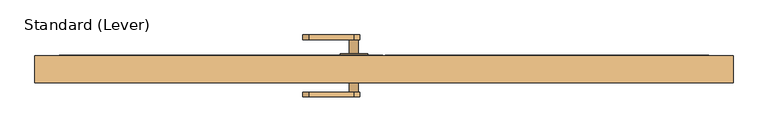
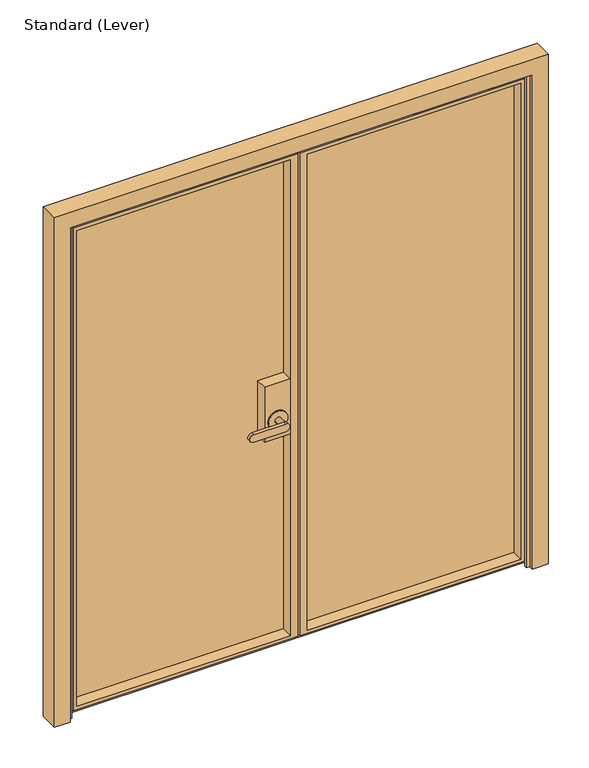
"""IFC4 building model written with IfcOpenShell, lengths in millimetres: door geometry, Standard (Lever)."""

from ifc_helpers import new_model, si_unit, frame, origin, place, context, project, spatial, polyline, circle_curve, outline, extrude, faceted_brep, source, transform, mapped, element, save
from ifc_brep_helpers import plane_surface, cylinder_surface, advanced_brep


def standard_lever_e9f56ac0(model_context):
    return source(origin(), model_context, "Body", "SolidModel", [
        advanced_brep(
        [(-349.25, -19.84375, 1117.6), (-349.25, 27.78125, 1117.6), (-450.85, 27.78125, 1117.6), (-450.85, -19.84375, 1117.6), (-349.25, -19.84375, 889.0), (-450.85, -19.84375, 889.0), (-450.85, 27.78125, 889.0), (-349.25, 27.78125, 889.0), (-361.95, -19.84375, 965.2), (-438.15, -19.84375, 965.2), (-387.35, -24.60625, 965.2), (-387.35, -64.29375, 965.2), (-412.75, -64.29375, 965.2), (-412.75, -24.60625, 965.2), (-361.95, -24.60625, 965.2), (-438.15, -24.60625, 965.2), (-400.05, -64.29375, 949.325), (-527.05, -64.29375, 949.325), (-527.05, -64.29375, 981.075), (-400.05, -64.29375, 981.075), (-400.05, -76.99375, 949.325), (-400.05, -76.99375, 981.075), (-527.05, -76.99375, 981.075), (-527.05, -76.99375, 949.325)],
        [
            (0, 1),
            (1, 2),
            (2, 3),
            (3, 0),
            (4, 5),
            (5, 6),
            (6, 7),
            (7, 4),
            (0, 4),
            (7, 1),
            (6, 2),
            (5, 3),
            (8, 9, circle_curve(frame((-400.05, -19.84375, 965.2), z_axis=(0.0, 1.0, 0.0), x_axis=(-1.0, 0.0, 0.0)), 38.1)),
            (9, 8, circle_curve(frame((-400.05, -19.84375, 965.2), z_axis=(0.0, 1.0, 0.0), x_axis=(-1.0, 0.0, 0.0)), 38.1)),
            (10, 11),
            (11, 12, circle_curve(frame((-400.05, -64.29375, 965.2), z_axis=(0.0, 1.0, 0.0), x_axis=(-1.0, 0.0, 0.0)), 12.7)),
            (12, 13),
            (13, 10, circle_curve(frame((-400.05, -24.60625, 965.2), z_axis=(0.0, -1.0, 0.0), x_axis=(-1.0, 0.0, 0.0)), 12.7)),
            (10, 13, circle_curve(frame((-400.05, -24.60625, 965.2), z_axis=(0.0, -1.0, 0.0), x_axis=(-1.0, 0.0, 0.0)), 12.7)),
            (12, 11, circle_curve(frame((-400.05, -64.29375, 965.2), z_axis=(0.0, 1.0, 0.0), x_axis=(-1.0, 0.0, 0.0)), 12.7)),
            (14, 15, circle_curve(frame((-400.05, -24.60625, 965.2), z_axis=(0.0, -1.0, 0.0), x_axis=(-1.0, 0.0, 0.0)), 38.1)),
            (15, 14, circle_curve(frame((-400.05, -24.60625, 965.2), z_axis=(0.0, -1.0, 0.0), x_axis=(-1.0, 0.0, 0.0)), 38.1)),
            (15, 9),
            (8, 14),
            (16, 17),
            (17, 18, circle_curve(frame((-527.05, -64.29375, 965.2), z_axis=(0.0, 1.0, 0.0), x_axis=(-1.0, 0.0, 0.0)), 15.875)),
            (18, 19),
            (19, 16, circle_curve(frame((-400.05, -64.29375, 965.2), z_axis=(0.0, 1.0, 0.0), x_axis=(-1.0, 0.0, 0.0)), 15.875)),
            (20, 21, circle_curve(frame((-400.05, -76.99375, 965.2), z_axis=(0.0, -1.0, 0.0), x_axis=(-1.0, 0.0, 0.0)), 15.875)),
            (21, 22),
            (22, 23, circle_curve(frame((-527.05, -76.99375, 965.2), z_axis=(0.0, -1.0, 0.0), x_axis=(-1.0, 0.0, 0.0)), 15.875)),
            (23, 20),
            (16, 20),
            (23, 17),
            (22, 18),
            (21, 19),
        ],
        [
            plane_surface(frame((-349.25, -87.0505478, 1117.6), z_axis=(0.0, 0.0, 1.0), x_axis=(0.0, 1.0, 0.0))),
            plane_surface(frame((-349.25, -87.0505478, 889.0), z_axis=(0.0, 0.0, -1.0), x_axis=(0.0, -1.0, 0.0))),
            plane_surface(frame((-349.25, -19.84375, 1117.6), z_axis=(1.0, 0.0, 0.0), x_axis=(0.0, 0.0, -1.0))),
            plane_surface(frame((-349.25, 27.78125, 1117.6), z_axis=(0.0, 1.0, 0.0), x_axis=(0.0, 0.0, -1.0))),
            plane_surface(frame((-450.85, 27.78125, 1117.6), z_axis=(-1.0, 0.0, 0.0), x_axis=(0.0, 0.0, -1.0))),
            plane_surface(frame((-450.85, -19.84375, 1117.6), z_axis=(0.0, -1.0, 0.0), x_axis=(0.0, 0.0, -1.0))),
            cylinder_surface(frame((-400.05, -64.29375, 965.2), z_axis=(0.0, 1.0, 0.0), x_axis=(-1.0, 0.0, 0.0)), 12.7),
            plane_surface(frame((-438.15, -24.60625, 965.2), z_axis=(0.0, -1.0, 0.0), x_axis=(0.0, 0.0, -1.0))),
            cylinder_surface(frame((-400.05, -24.60625, 965.2), z_axis=(0.0, 1.0, 0.0), x_axis=(-1.0, 0.0, 0.0)), 38.1),
            plane_surface(frame((-400.05, -64.29375, 949.325), z_axis=(0.0, 1.0, 0.0), x_axis=(-1.0, 0.0, 0.0))),
            plane_surface(frame((-400.05, -76.99375, 949.325), z_axis=(0.0, -1.0, 0.0), x_axis=(1.0, 0.0, 0.0))),
            plane_surface(frame((-400.05, -64.29375, 949.325), z_axis=(0.0, 0.0, -1.0), x_axis=(0.0, -1.0, 0.0))),
            cylinder_surface(frame((-527.05, -76.99375, 965.2), z_axis=(0.0, 1.0, 0.0), x_axis=(-1.0, 0.0, 0.0)), 15.875),
            plane_surface(frame((-527.05, -64.29375, 981.075), z_axis=(0.0, 0.0, 1.0), x_axis=(0.0, -1.0, 0.0))),
            cylinder_surface(frame((-400.05, -76.99375, 965.2), z_axis=(0.0, 1.0, 0.0), x_axis=(-1.0, 0.0, 0.0)), 15.875),
        ],
        [
            (0, [[1, 2, 3, 4]]),
            (1, [[5, 6, 7, 8]]),
            (2, [[-1, 9, -8, 10]]),
            (3, [[-2, -10, -7, 11]]),
            (4, [[-3, -11, -6, 12]]),
            (5, [[-4, -12, -5, -9], [13, 14]]),
            (6, [[15, 16, 17, 18]]),
            (6, [[-15, 19, -17, 20]]),
            (7, [[21, 22], [-18, -19]]),
            (8, [[-22, 23, -13, 24]]),
            (8, [[-21, -24, -14, -23]]),
            (9, [[25, 26, 27, 28], [-16, -20]]),
            (10, [[29, 30, 31, 32]]),
            (11, [[-25, 33, -32, 34]]),
            (12, [[-26, -34, -31, 35]]),
            (13, [[-27, -35, -30, 36]]),
            (14, [[-28, -36, -29, -33]]),
        ],
    ),
        advanced_brep(
        [(-349.25, 37.30625, 1117.6), (-349.25, 38.89375, 1117.6), (-450.85, 38.89375, 1117.6), (-450.85, 37.30625, 1117.6), (-349.25, 37.30625, 889.0), (-450.85, 37.30625, 889.0), (-450.85, 38.89375, 889.0), (-349.25, 38.89375, 889.0), (-361.95, 43.65625, 965.2), (-438.15, 43.65625, 965.2), (-412.75, 43.65625, 965.2), (-387.35, 43.65625, 965.2), (-361.95, 38.89375, 965.2), (-438.15, 38.89375, 965.2), (-387.35, 83.34375, 965.2), (-412.75, 83.34375, 965.2), (-527.05, 96.04375, 949.325), (-527.05, 96.04375, 981.075), (-400.05, 96.04375, 981.075), (-400.05, 96.04375, 949.325), (-527.05, 83.34375, 949.325), (-400.05, 83.34375, 949.325), (-400.05, 83.34375, 981.075), (-527.05, 83.34375, 981.075)],
        [
            (0, 1),
            (1, 2),
            (2, 3),
            (3, 0),
            (4, 5),
            (5, 6),
            (6, 7),
            (7, 4),
            (0, 4),
            (7, 1),
            (2, 6),
            (5, 3),
            (8, 9, circle_curve(frame((-400.05, 43.65625, 965.2), z_axis=(0.0, 1.0, 0.0), x_axis=(-1.0, 0.0, 0.0)), 38.1)),
            (9, 8, circle_curve(frame((-400.05, 43.65625, 965.2), z_axis=(0.0, 1.0, 0.0), x_axis=(-1.0, 0.0, 0.0)), 38.1)),
            (10, 11, circle_curve(frame((-400.05, 43.65625, 965.2), z_axis=(0.0, -1.0, 0.0), x_axis=(-1.0, 0.0, 0.0)), 12.7)),
            (11, 10, circle_curve(frame((-400.05, 43.65625, 965.2), z_axis=(0.0, -1.0, 0.0), x_axis=(-1.0, 0.0, 0.0)), 12.7)),
            (8, 12),
            (12, 13, circle_curve(frame((-400.05, 38.89375, 965.2), z_axis=(0.0, 1.0, 0.0), x_axis=(-1.0, 0.0, 0.0)), 38.1)),
            (13, 9),
            (13, 12, circle_curve(frame((-400.05, 38.89375, 965.2), z_axis=(0.0, 1.0, 0.0), x_axis=(-1.0, 0.0, 0.0)), 38.1)),
            (14, 11),
            (10, 15),
            (15, 14, circle_curve(frame((-400.05, 83.34375, 965.2), z_axis=(0.0, -1.0, 0.0), x_axis=(-1.0, 0.0, 0.0)), 12.7)),
            (14, 15, circle_curve(frame((-400.05, 83.34375, 965.2), z_axis=(0.0, -1.0, 0.0), x_axis=(-1.0, 0.0, 0.0)), 12.7)),
            (16, 17, circle_curve(frame((-527.05, 96.04375, 965.2), z_axis=(0.0, 1.0, 0.0), x_axis=(-1.0, 0.0, 0.0)), 15.875)),
            (17, 18),
            (18, 19, circle_curve(frame((-400.05, 96.04375, 965.2), z_axis=(0.0, 1.0, 0.0), x_axis=(-1.0, 0.0, 0.0)), 15.875)),
            (19, 16),
            (20, 21),
            (21, 22, circle_curve(frame((-400.05, 83.34375, 965.2), z_axis=(0.0, -1.0, 0.0), x_axis=(-1.0, 0.0, 0.0)), 15.875)),
            (22, 23),
            (23, 20, circle_curve(frame((-527.05, 83.34375, 965.2), z_axis=(0.0, -1.0, 0.0), x_axis=(-1.0, 0.0, 0.0)), 15.875)),
            (16, 20),
            (23, 17),
            (22, 18),
            (21, 19),
        ],
        [
            plane_surface(frame((-349.25, -87.0505478, 1117.6), z_axis=(0.0, 0.0, 1.0), x_axis=(0.0, 1.0, 0.0))),
            plane_surface(frame((-349.25, -87.0505478, 889.0), z_axis=(0.0, 0.0, -1.0), x_axis=(0.0, -1.0, 0.0))),
            plane_surface(frame((-349.25, 37.30625, 1117.6), z_axis=(1.0, 0.0, 0.0), x_axis=(0.0, 0.0, -1.0))),
            plane_surface(frame((-450.85, 38.89375, 1117.6), z_axis=(-1.0, 0.0, 0.0), x_axis=(0.0, 0.0, -1.0))),
            plane_surface(frame((-450.85, 37.30625, 1117.6), z_axis=(0.0, -1.0, 0.0), x_axis=(0.0, 0.0, -1.0))),
            plane_surface(frame((-438.15, 43.65625, 965.2), z_axis=(0.0, 1.0, 0.0), x_axis=(0.0, 0.0, 1.0))),
            cylinder_surface(frame((-400.05, 38.89375, 965.2), z_axis=(0.0, 1.0, 0.0), x_axis=(-1.0, 0.0, 0.0)), 38.1),
            cylinder_surface(frame((-400.05, 40.48125, 965.2), z_axis=(0.0, 1.0, 0.0), x_axis=(-1.0, 0.0, 0.0)), 12.7),
            plane_surface(frame((-542.925, 96.04375, 965.2), z_axis=(0.0, 1.0, 0.0), x_axis=(0.0, 0.0, 1.0))),
            plane_surface(frame((-542.925, 83.34375, 965.2), z_axis=(0.0, -1.0, 0.0), x_axis=(0.0, 0.0, -1.0))),
            cylinder_surface(frame((-527.05, 83.34375, 965.2), z_axis=(0.0, 1.0, 0.0), x_axis=(-1.0, 0.0, 0.0)), 15.875),
            plane_surface(frame((-527.05, 96.04375, 981.075), z_axis=(0.0, 0.0, 1.0), x_axis=(0.0, -1.0, 0.0))),
            cylinder_surface(frame((-400.05, 83.34375, 965.2), z_axis=(0.0, 1.0, 0.0), x_axis=(-1.0, 0.0, 0.0)), 15.875),
            plane_surface(frame((-400.05, 96.04375, 949.325), z_axis=(0.0, 0.0, -1.0), x_axis=(0.0, -1.0, 0.0))),
            plane_surface(frame((-349.25, 38.89375, 1117.6), z_axis=(0.0, 1.0, 0.0), x_axis=(0.0, 0.0, -1.0))),
        ],
        [
            (0, [[1, 2, 3, 4]]),
            (1, [[5, 6, 7, 8]]),
            (2, [[-1, 9, -8, 10]]),
            (3, [[-3, 11, -6, 12]]),
            (4, [[-4, -12, -5, -9]]),
            (5, [[13, 14], [15, 16]]),
            (6, [[-13, 17, 18, 19]]),
            (6, [[-14, -19, 20, -17]]),
            (7, [[21, -15, 22, 23]]),
            (7, [[-21, 24, -22, -16]]),
            (8, [[25, 26, 27, 28]]),
            (9, [[29, 30, 31, 32], [-23, -24]]),
            (10, [[-25, 33, -32, 34]]),
            (11, [[-26, -34, -31, 35]]),
            (12, [[-27, -35, -30, 36]]),
            (13, [[-28, -36, -29, -33]]),
            (14, [[-2, -10, -7, -11], [-18, -20]]),
        ],
    ),
        faceted_brep([(-1195.3875, 27.78125, 2035.175), (-1195.3875, -19.84375, 2035.175), (-1195.3875, -19.84375, 42.8625), (-1195.3875, 27.78125, 42.8625), (-319.0875, -19.84375, 28.575), (-319.0875, -19.84375, 2049.4625), (-1209.675, -19.84375, 2049.4625), (-1209.675, -19.84375, 28.575), (-349.25, -19.84375, 2035.175), (-349.25, -19.84375, 42.8625), (-349.25, 27.78125, 42.8625), (-1208.0875, 27.78125, 30.1625), (-1208.0875, 27.78125, 2047.875), (-336.55, 27.78125, 2047.875), (-336.55, 27.78125, 30.1625), (-349.25, 27.78125, 2035.175), (-1208.0875, 37.30625, 2047.875), (-1208.0875, 37.30625, 30.1625), (-336.55, 37.30625, 30.1625), (-336.55, 37.30625, 2047.875), (-1195.3875, 37.30625, 42.8625), (-1195.3875, 37.30625, 2035.175), (-349.25, 37.30625, 2035.175), (-349.25, 37.30625, 42.8625), (-1195.3875, 38.89375, 2035.175), (-1195.3875, 38.89375, 42.8625), (-349.25, 38.89375, 42.8625), (-1225.55, 38.89375, 12.7), (-1225.55, 38.89375, 2065.3375), (-319.0875, 38.89375, 2065.3375), (-319.0875, 38.89375, 12.7), (-349.25, 38.89375, 2035.175), (-1225.55, -5.55625, 2065.3375), (-1225.55, -5.55625, 12.7), (-319.0875, -5.55625, 12.7), (-319.0875, -5.55625, 28.575), (-1209.675, -5.55625, 28.575), (-1209.675, -5.55625, 2049.4625), (-319.0875, -5.55625, 2049.4625), (-319.0875, -5.55625, 2065.3375)], [[[0, 1, 2, 3]], [[4, 5, 6, 7], [2, 1, 8, 9]], [[3, 2, 9, 10]], [[11, 12, 13, 14], [0, 3, 10, 15]], [[16, 12, 11, 17]], [[17, 11, 14, 18]], [[16, 17, 18, 19], [20, 21, 22, 23]], [[24, 21, 20, 25]], [[25, 20, 23, 26]], [[27, 28, 29, 30], [24, 25, 26, 31]], [[32, 28, 27, 33]], [[33, 27, 30, 34]], [[32, 33, 34, 35, 36, 37, 38, 39]], [[8, 15, 10, 9]], [[13, 19, 18, 14]], [[22, 31, 26, 23]], [[29, 39, 38, 5, 4, 35, 34, 30]], [[4, 7, 36, 35]], [[7, 6, 37, 36]], [[1, 0, 15, 8]], [[12, 16, 19, 13]], [[21, 24, 31, 22]], [[28, 32, 39, 29]], [[6, 5, 38, 37]]]),
        faceted_brep([(577.85, -19.84375, 28.575), (-312.7375, -19.84375, 28.575), (-312.7375, -5.55625, 28.575), (577.85, -5.55625, 28.575), (593.725, 38.89375, 2065.3375), (593.725, -5.55625, 2065.3375), (593.725, -5.55625, 12.7), (593.725, 38.89375, 12.7), (-312.7375, -5.55625, 2065.3375), (-312.7375, -5.55625, 2049.4625), (577.85, -5.55625, 2049.4625), (-312.7375, -5.55625, 12.7), (-312.7375, 38.89375, 12.7), (-312.7375, 38.89375, 2065.3375), (563.5625, 38.89375, 42.8625), (563.5625, 38.89375, 2035.175), (-282.575, 38.89375, 2035.175), (-282.575, 38.89375, 42.8625), (563.5625, 37.30625, 2035.175), (563.5625, 37.30625, 42.8625), (-282.575, 37.30625, 42.8625), (576.2625, 37.30625, 30.1625), (576.2625, 37.30625, 2047.875), (-295.275, 37.30625, 2047.875), (-295.275, 37.30625, 30.1625), (-282.575, 37.30625, 2035.175), (576.2625, 27.78125, 2047.875), (576.2625, 27.78125, 30.1625), (-295.275, 27.78125, 30.1625), (-295.275, 27.78125, 2047.875), (563.5625, 27.78125, 42.8625), (563.5625, 27.78125, 2035.175), (-282.575, 27.78125, 2035.175), (-282.575, 27.78125, 42.8625), (563.5625, -19.84375, 2035.175), (563.5625, -19.84375, 42.8625), (-282.575, -19.84375, 42.8625), (-312.7375, -19.84375, 2049.4625), (577.85, -19.84375, 2049.4625), (-282.575, -19.84375, 2035.175)], [[[0, 1, 2, 3]], [[4, 5, 6, 7]], [[6, 5, 8, 9, 10, 3, 2, 11]], [[7, 6, 11, 12]], [[4, 7, 12, 13], [14, 15, 16, 17]], [[18, 15, 14, 19]], [[19, 14, 17, 20]], [[21, 22, 23, 24], [18, 19, 20, 25]], [[26, 22, 21, 27]], [[27, 21, 24, 28]], [[26, 27, 28, 29], [30, 31, 32, 33]], [[34, 31, 30, 35]], [[35, 30, 33, 36]], [[37, 1, 0, 38], [34, 35, 36, 39]], [[12, 11, 2, 1, 37, 9, 8, 13]], [[20, 17, 16, 25]], [[28, 24, 23, 29]], [[36, 33, 32, 39]], [[38, 0, 3, 10]], [[5, 4, 13, 8]], [[15, 18, 25, 16]], [[22, 26, 29, 23]], [[31, 34, 39, 32]], [[9, 37, 38, 10]]]),
        extrude(outline(polyline([(-295.275, 27.78125), (-295.275, 37.30625), (576.2625, 37.30625), (576.2625, 27.78125), (-295.275, 27.78125)])), frame((0.0, 0.0, 30.1625), z_axis=(0.0, 0.0, 1.0), x_axis=(1.0, 0.0, 0.0)), (0.0, 0.0, 1.0), 2017.7125),
        extrude(outline(polyline([(-336.55, 37.30625), (-336.55, 27.78125), (-1208.0875, 27.78125), (-1208.0875, 37.30625), (-336.55, 37.30625)])), frame((0.0, 0.0, 30.1625), z_axis=(0.0, 0.0, 1.0), x_axis=(1.0, 0.0, 0.0)), (0.0, 0.0, 1.0), 2017.7125),
        faceted_brep([(598.4875, -20.6375, 0.0), (584.2, -20.6375, 0.0), (584.2, -9.525, 0.0), (598.4875, -9.525, 0.0), (598.4875, 38.1, 0.0), (661.9875, 38.1, 0.0), (661.9875, -38.1, 0.0), (598.4875, -38.1, 0.0), (598.4875, -20.6375, 2070.1), (-1230.3125, -20.6375, 2070.1), (-1230.3125, -20.6375, 0.0), (-1216.025, -20.6375, 0.0), (-1216.025, -20.6375, 2055.8125), (584.2, -20.6375, 2055.8125), (584.2, -9.525, 2055.8125), (-1216.025, -9.525, 2055.8125), (-1216.025, -9.525, 0.0), (-1230.3125, -9.525, 0.0), (-1230.3125, -9.525, 2070.1), (598.4875, -9.525, 2070.1), (598.4875, 38.1, 2070.1), (-1230.3125, 38.1, 2070.1), (-1230.3125, 38.1, 0.0), (-1293.8125, 38.1, 0.0), (-1293.8125, 38.1, 2133.6), (661.9875, 38.1, 2133.6), (661.9875, -38.1, 2133.6), (-1293.8125, -38.1, 2133.6), (-1293.8125, -38.1, 0.0), (-1230.3125, -38.1, 0.0), (-1230.3125, -38.1, 2070.1), (598.4875, -38.1, 2070.1)], [[[0, 1, 2, 3, 4, 5, 6, 7]], [[1, 0, 8, 9, 10, 11, 12, 13]], [[2, 1, 13, 14]], [[3, 2, 14, 15, 16, 17, 18, 19]], [[4, 3, 19, 20]], [[5, 4, 20, 21, 22, 23, 24, 25]], [[6, 5, 25, 26]], [[7, 6, 26, 27, 28, 29, 30, 31]], [[0, 7, 31, 8]], [[10, 29, 28, 23, 22, 17, 16, 11]], [[23, 28, 27, 24]], [[29, 10, 9, 30]], [[18, 17, 22, 21]], [[11, 16, 15, 12]], [[27, 26, 25, 24]], [[20, 19, 18, 21]], [[9, 8, 31, 30]], [[14, 13, 12, 15]]]),
    ])


if __name__ == "__main__":
    model = new_model("IFC4")
    model_context = context("Model", 3, world=origin())
    ifc_project = project(units=[si_unit("LENGTHUNIT", "METRE", prefix="MILLI")], contexts=[model_context])
    site = spatial("IfcSite", under=ifc_project)
    building = spatial("IfcBuilding", under=site)
    placement = place(None, origin())
    standard_lever_shape = standard_lever_e9f56ac0(model_context)
    element("IfcDoor", 1, ObjectType="Standard (Lever)", at=placement, inside=building, context=model_context, shape_type="MappedRepresentation", body=[
        mapped(standard_lever_shape, transform((0.0, 0.0, 0.0), x_axis=(1.0, 0.0, 0.0), y_axis=(0.0, 1.0, 0.0), z_axis=(0.0, 0.0, 1.0))),
    ])
    save(model, "model.ifc")
